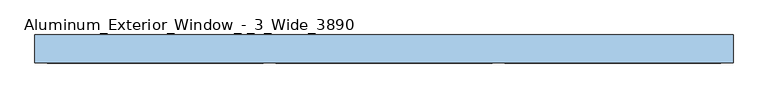
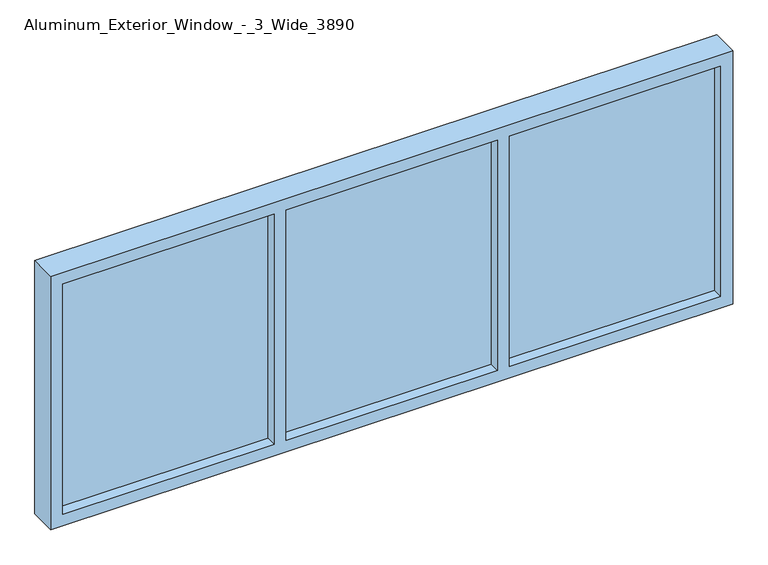
"""IFC4 building model written with IfcOpenShell, lengths in millimetres: window geometry, Aluminum_Exterior_Window_-_3_Wide_3890."""

from ifc_helpers import new_model, si_unit, frame, origin, place, context, project, spatial, polyline, outline, extrude, source, transform, mapped, element, save


def aluminum_exterior_window_3_wide_3890_e525d36f(model_context):
    return source(origin(), model_context, "Body", "SweptSolid", [
        extrude(outline(polyline([(584.2, 18.7075246), (1464.7333333, 18.7075246), (1464.7333333, -6.6924754), (584.2, -6.6924754), (584.2, 18.7075246)])), frame((0.0, 0.0, 956.6367551), z_axis=(0.0, 0.0, 1.0), x_axis=(1.0, 0.0, 0.0)), (0.0, 0.0, 1.0), 1016.0),
        extrude(outline(polyline([(-347.1333333, 18.7075246), (533.4, 18.7075246), (533.4, -6.6924754), (-347.1333333, -6.6924754), (-347.1333333, 18.7075246)])), frame((0.0, 0.0, 956.6367551), z_axis=(0.0, 0.0, 1.0), x_axis=(1.0, 0.0, 0.0)), (0.0, 0.0, 1.0), 1016.0),
        extrude(outline(polyline([(-1278.4666667, 18.7075246), (-397.9333333, 18.7075246), (-397.9333333, -6.6924754), (-1278.4666667, -6.6924754), (-1278.4666667, 18.7075246)])), frame((0.0, 0.0, 956.6367551), z_axis=(0.0, 0.0, 1.0), x_axis=(1.0, 0.0, 0.0)), (0.0, 0.0, 1.0), 1016.0),
        extrude(outline(polyline([(2023.4367551, -1329.2666667), (905.8367551, -1329.2666667), (905.8367551, 1515.5333333), (2023.4367551, 1515.5333333), (2023.4367551, -1329.2666667)]), holes=[polyline([(1972.6367551, 584.2), (1972.6367551, 1464.7333333), (956.6367551, 1464.7333333), (956.6367551, 584.2), (1972.6367551, 584.2)]), polyline([(1972.6367551, -347.1333333), (1972.6367551, 533.4), (956.6367551, 533.4), (956.6367551, -347.1333333), (1972.6367551, -347.1333333)]), polyline([(1972.6367551, -1278.4666667), (1972.6367551, -397.9333333), (956.6367551, -397.9333333), (956.6367551, -1278.4666667), (1972.6367551, -1278.4666667)])]), frame((0.0, -51.1424754, 0.0), z_axis=(0.0, 1.0, 0.0), x_axis=(0.0, 0.0, 1.0)), (0.0, 0.0, 1.0), 114.3),
    ])


if __name__ == "__main__":
    model = new_model("IFC4")
    model_context = context("Model", 3, world=origin())
    ifc_project = project(units=[si_unit("LENGTHUNIT", "METRE", prefix="MILLI")], contexts=[model_context])
    site = spatial("IfcSite", under=ifc_project)
    building = spatial("IfcBuilding", under=site)
    placement = place(None, origin())
    aluminum_exterior_window_3_wide_3890_shape = aluminum_exterior_window_3_wide_3890_e525d36f(model_context)
    element("IfcWindow", 1, ObjectType="Aluminum_Exterior_Window_-_3_Wide_3890", at=placement, inside=building, context=model_context, shape_type="MappedRepresentation", body=[
        mapped(aluminum_exterior_window_3_wide_3890_shape, transform((0.0, 0.0, 0.0), x_axis=(1.0, 0.0, 0.0), y_axis=(0.0, 1.0, 0.0), z_axis=(0.0, 0.0, 1.0))),
    ])
    save(model, "model.ifc")
